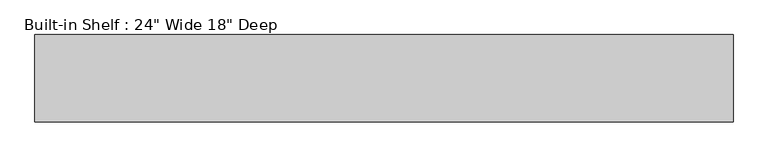
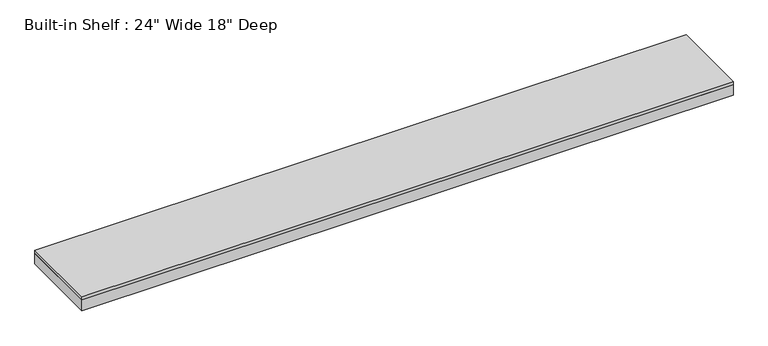
"""IFC4 building model written with IfcOpenShell, lengths in millimetres: furniture geometry."""

from ifc_helpers import new_model, si_unit, frame, origin, place, context, project, spatial, polyline, outline, extrude, source, transform, mapped, element, save


def furniture_21a158ce(model_context):
    return source(origin(), model_context, "Body", "SweptSolid", [
        extrude(outline(polyline([(1828.9499715, 554.0375), (1828.9499715, 96.8375), (-1828.9499715, 96.8375), (-1828.9499715, 554.0375), (1828.9499715, 554.0375)])), frame((0.0, 0.0, 2114.55), z_axis=(0.0, 0.0, 1.0), x_axis=(1.0, 0.0, 0.0)), (0.0, 0.0, 1.0), 19.05),
        extrude(outline(polyline([(1828.9499715, 96.8375), (-1828.9499715, 96.8375), (-1828.9499715, 554.0375), (-1809.8999715, 554.0375), (-1809.8999715, 115.8875), (1809.8999715, 115.8875), (1809.8999715, 554.0375), (1828.9499715, 554.0375), (1828.9499715, 96.8375)])), frame((0.0, 0.0, 2051.05), z_axis=(0.0, 0.0, 1.0), x_axis=(1.0, 0.0, 0.0)), (0.0, 0.0, 1.0), 63.5),
    ])


if __name__ == "__main__":
    model = new_model("IFC4")
    model_context = context("Model", 3, world=origin())
    ifc_project = project(units=[si_unit("LENGTHUNIT", "METRE", prefix="MILLI")], contexts=[model_context])
    site = spatial("IfcSite", under=ifc_project)
    building = spatial("IfcBuilding", under=site)
    placement = place(None, origin())
    furniture_shape = furniture_21a158ce(model_context)
    element("IfcFurniture", 1, ObjectType="Built-in Shelf : 24\" Wide 18\" Deep", at=placement, inside=building, context=model_context, shape_type="MappedRepresentation", body=[
        mapped(furniture_shape, transform((0.0, 0.0, 0.0), x_axis=(1.0, 0.0, 0.0), y_axis=(0.0, 1.0, 0.0), z_axis=(0.0, 0.0, 1.0))),
    ])
    save(model, "model.ifc")
